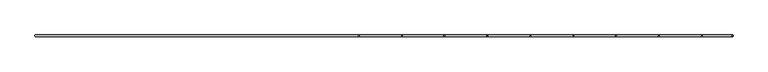
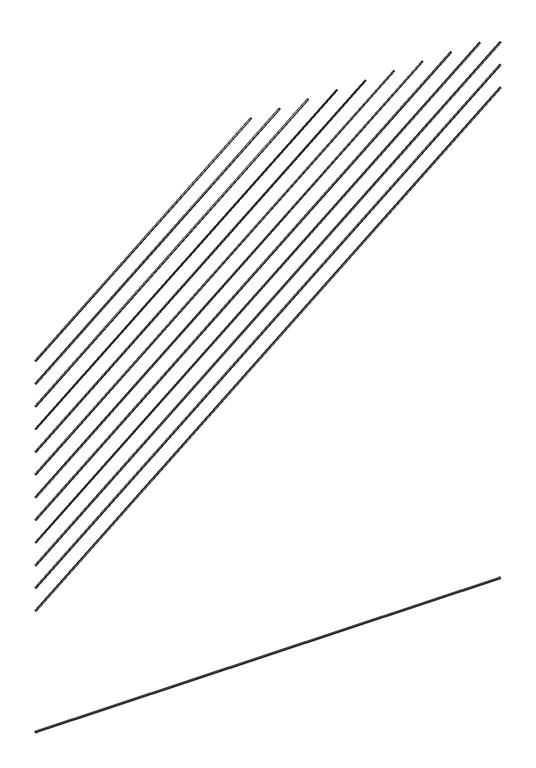
"""IFC4 building model written with IfcOpenShell, lengths in millimetres: proxy geometry."""

from ifc_helpers import new_model, si_unit, point, frame, frame_2d, origin, origin_2d, place, context, project, spatial, circle_curve, trimmed, segment, composite_curve, outline, extrude, source, transform, mapped, element, save


def generic_models_4bf34df8(model_context):
    return source(origin(), model_context, "Body", "SweptSolid", [
        extrude(outline(composite_curve([segment(trimmed(circle_curve(origin_2d(), 2.5), [point((2.5, 0.0))], [point((-2.5, 0.0))], False, "CARTESIAN"), True, "CONTINUOUS"), segment(trimmed(circle_curve(origin_2d(), 2.5), [point((-2.5, 0.0))], [point((2.5, 0.0))], False, "CARTESIAN"), True, "CONTINUOUS")], self_intersect=False)), frame((-1000.0, -52.5, 1690.3407125), z_axis=(0.7660444431189722, 0.0, 0.6427876096865464), x_axis=(0.0, 1.0, 0.0)), (0.0, 0.0, 1.0), 1210.7066411),
        extrude(outline(composite_curve([segment(trimmed(circle_curve(origin_2d(), 2.5), [point((2.5, 0.0))], [point((-2.5, 0.0))], False, "CARTESIAN"), True, "CONTINUOUS"), segment(trimmed(circle_curve(origin_2d(), 2.5), [point((-2.5, 0.0))], [point((2.5, 0.0))], False, "CARTESIAN"), True, "CONTINUOUS")], self_intersect=False)), frame((-1000.0, -52.5, 1587.1240608), z_axis=(0.7660444431189722, 0.0, 0.6427876096865464), x_axis=(0.0, 1.0, 0.0)), (0.0, 0.0, 1.0), 1371.2832455),
        extrude(outline(composite_curve([segment(trimmed(circle_curve(origin_2d(), 2.5), [point((2.5, 0.0))], [point((-2.5, 0.0))], False, "CARTESIAN"), True, "CONTINUOUS"), segment(trimmed(circle_curve(origin_2d(), 2.5), [point((-2.5, 0.0))], [point((2.5, 0.0))], False, "CARTESIAN"), True, "CONTINUOUS")], self_intersect=False)), frame((-1000.0, -52.5, 1483.907409), z_axis=(0.7660444431189722, 0.0, 0.6427876096865464), x_axis=(0.0, 1.0, 0.0)), (0.0, 0.0, 1.0), 1531.8598499),
        extrude(outline(composite_curve([segment(trimmed(circle_curve(origin_2d(), 2.5), [point((2.5, 0.0))], [point((-2.5, 0.0))], False, "CARTESIAN"), True, "CONTINUOUS"), segment(trimmed(circle_curve(origin_2d(), 2.5), [point((-2.5, 0.0))], [point((2.5, 0.0))], False, "CARTESIAN"), True, "CONTINUOUS")], self_intersect=False)), frame((-1000.0, -52.5, 1380.6907573), z_axis=(0.7660444431189722, 0.0, 0.6427876096865464), x_axis=(0.0, 1.0, 0.0)), (0.0, 0.0, 1.0), 1692.4364543),
        extrude(outline(composite_curve([segment(trimmed(circle_curve(origin_2d(), 2.5), [point((2.5, 0.0))], [point((-2.5, 0.0))], False, "CARTESIAN"), True, "CONTINUOUS"), segment(trimmed(circle_curve(origin_2d(), 2.5), [point((-2.5, 0.0))], [point((2.5, 0.0))], False, "CARTESIAN"), True, "CONTINUOUS")], self_intersect=False)), frame((-1000.0, -52.5, 1277.4741056), z_axis=(0.7660444431189722, 0.0, 0.6427876096865464), x_axis=(0.0, 1.0, 0.0)), (0.0, 0.0, 1.0), 1853.0130588),
        extrude(outline(composite_curve([segment(trimmed(circle_curve(origin_2d(), 2.5), [point((2.5, 0.0))], [point((-2.5, 0.0))], False, "CARTESIAN"), True, "CONTINUOUS"), segment(trimmed(circle_curve(origin_2d(), 2.5), [point((-2.5, 0.0))], [point((2.5, 0.0))], False, "CARTESIAN"), True, "CONTINUOUS")], self_intersect=False)), frame((-1000.0, -52.5, 1174.2574539), z_axis=(0.7660444431189722, 0.0, 0.6427876096865464), x_axis=(0.0, 1.0, 0.0)), (0.0, 0.0, 1.0), 2013.5896632),
        extrude(outline(composite_curve([segment(trimmed(circle_curve(origin_2d(), 2.5), [point((2.5, 0.0))], [point((-2.5, 0.0))], False, "CARTESIAN"), True, "CONTINUOUS"), segment(trimmed(circle_curve(origin_2d(), 2.5), [point((-2.5, 0.0))], [point((2.5, 0.0))], False, "CARTESIAN"), True, "CONTINUOUS")], self_intersect=False)), frame((-1000.0, -52.5, 1071.0408021), z_axis=(0.7660444431189722, 0.0, 0.6427876096865464), x_axis=(0.0, 1.0, 0.0)), (0.0, 0.0, 1.0), 2174.1662676),
        extrude(outline(composite_curve([segment(trimmed(circle_curve(origin_2d(), 2.5), [point((2.5, 0.0))], [point((-2.5, 0.0))], False, "CARTESIAN"), True, "CONTINUOUS"), segment(trimmed(circle_curve(origin_2d(), 2.5), [point((-2.5, 0.0))], [point((2.5, 0.0))], False, "CARTESIAN"), True, "CONTINUOUS")], self_intersect=False)), frame((-1000.0, -52.5, 967.8241504), z_axis=(0.7660444431189722, 0.0, 0.6427876096865464), x_axis=(0.0, 1.0, 0.0)), (0.0, 0.0, 1.0), 2334.742872),
        extrude(outline(composite_curve([segment(trimmed(circle_curve(origin_2d(), 2.5), [point((2.5, 0.0))], [point((-2.5, 0.0))], False, "CARTESIAN"), True, "CONTINUOUS"), segment(trimmed(circle_curve(origin_2d(), 2.5), [point((-2.5, 0.0))], [point((2.5, 0.0))], False, "CARTESIAN"), True, "CONTINUOUS")], self_intersect=False)), frame((-1000.0, -52.5, 864.6074987), z_axis=(0.7660444431189722, 0.0, 0.6427876096865464), x_axis=(0.0, 1.0, 0.0)), (0.0, 0.0, 1.0), 2495.3194765),
        extrude(outline(composite_curve([segment(trimmed(circle_curve(origin_2d(), 2.5), [point((2.5, 0.0))], [point((-2.5, 0.0))], False, "CARTESIAN"), True, "CONTINUOUS"), segment(trimmed(circle_curve(origin_2d(), 2.5), [point((-2.5, 0.0))], [point((2.5, 0.0))], False, "CARTESIAN"), True, "CONTINUOUS")], self_intersect=False)), frame((-1000.0, -52.5, 761.3908469), z_axis=(0.7660444431189722, 0.0, 0.6427876096865464), x_axis=(0.0, 1.0, 0.0)), (0.0, 0.0, 1.0), 2610.8145787),
        extrude(outline(composite_curve([segment(trimmed(circle_curve(origin_2d(), 2.5), [point((2.5, 0.0))], [point((-2.5, 0.0))], False, "CARTESIAN"), True, "CONTINUOUS"), segment(trimmed(circle_curve(origin_2d(), 2.5), [point((-2.5, 0.0))], [point((2.5, 0.0))], False, "CARTESIAN"), True, "CONTINUOUS")], self_intersect=False)), frame((-1000.0, -52.5, 658.1741952), z_axis=(0.7660444431189722, 0.0, 0.6427876096865464), x_axis=(0.0, 1.0, 0.0)), (0.0, 0.0, 1.0), 2610.8145787),
        extrude(outline(composite_curve([segment(trimmed(circle_curve(origin_2d(), 2.5), [point((2.5, 0.0))], [point((-2.5, 0.0))], False, "CARTESIAN"), True, "CONTINUOUS"), segment(trimmed(circle_curve(origin_2d(), 2.5), [point((-2.5, 0.0))], [point((2.5, 0.0))], False, "CARTESIAN"), True, "CONTINUOUS")], self_intersect=False)), frame((-1000.0, -52.5, 554.9575435), z_axis=(0.7660444431189722, 0.0, 0.6427876096865464), x_axis=(0.0, 1.0, 0.0)), (0.0, 0.0, 1.0), 2610.8145787),
        extrude(outline(composite_curve([segment(trimmed(circle_curve(frame_2d((-52.5, 2.5)), 2.5), [point((-50.0, 2.5))], [point((-55.0, 2.5))], False, "CARTESIAN"), True, "CONTINUOUS"), segment(trimmed(circle_curve(frame_2d((-52.5, 2.5)), 2.5), [point((-55.0, 2.5))], [point((-50.0, 2.5))], False, "CARTESIAN"), True, "CONTINUOUS")], self_intersect=False)), frame((-1000.0, 0.0, 0.0), z_axis=(1.0, 0.0, 0.0), x_axis=(0.0, 1.0, 0.0)), (0.0, 0.0, 1.0), 2000.0),
    ])


if __name__ == "__main__":
    model = new_model("IFC4")
    model_context = context("Model", 3, world=origin())
    ifc_project = project(units=[si_unit("LENGTHUNIT", "METRE", prefix="MILLI")], contexts=[model_context])
    site = spatial("IfcSite", under=ifc_project)
    building = spatial("IfcBuilding", under=site)
    placement = place(None, origin())
    generic_models_shape = generic_models_4bf34df8(model_context)
    element("IfcBuildingElementProxy", 1, Name="Generic Models", at=placement, inside=building, context=model_context, shape_type="MappedRepresentation", body=[
        mapped(generic_models_shape, transform((0.0, 0.0, 0.0), x_axis=(1.0, 0.0, 0.0), y_axis=(0.0, 1.0, 0.0), z_axis=(0.0, 0.0, 1.0))),
    ])
    save(model, "model.ifc")
